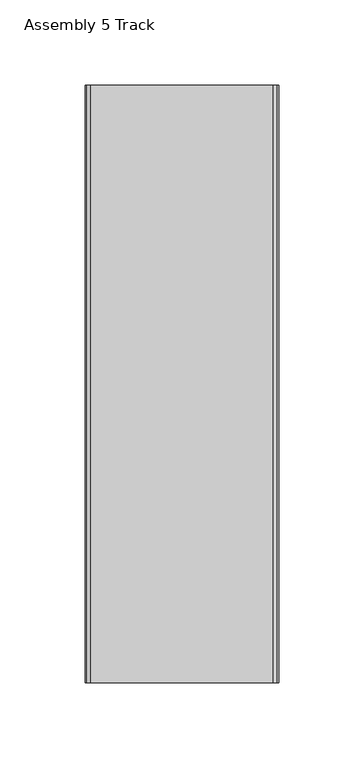
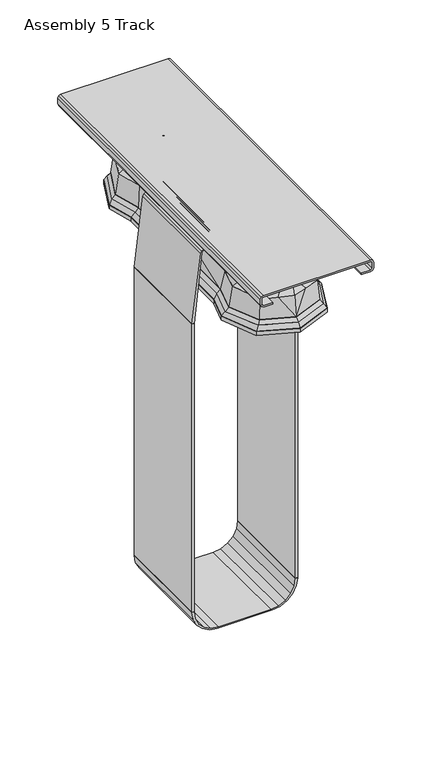
"""IFC4 building model written with IfcOpenShell, lengths in millimetres: furniture geometry, Assembly 5 Track."""

from ifc_helpers import new_model, si_unit, point, frame, frame_2d, origin, origin_2d, place, context, project, spatial, polyline, circle_curve, trimmed, segment, composite_curve, outline, extrude, faceted_brep, source, transform, mapped, element, save
from ifc_brep_helpers import plane_surface, spline_surface, advanced_brep


def assembly_5_track_c538d52d(model_context):
    return source(origin(), model_context, "Body", "SolidModel", [
        advanced_brep(
        [(-17.2873897, -117.3429758, 673.79186), (-4.8963072, -124.2971026, 673.79186), (4.8963072, -124.2971026, 673.79186), (17.2873897, -117.3429758, 673.79186), (24.3267209, -99.6999939, 673.79186), (30.2100866, -74.7228336, 673.79186), (30.2100866, 0.0, 673.79186), (30.2100866, 74.7228336, 673.79186), (24.3267209, 99.6999939, 673.79186), (17.2873897, 117.3429758, 673.79186), (4.8963072, 124.2971026, 673.79186), (-4.8963072, 124.2971026, 673.79186), (-17.2873897, 117.3429758, 673.79186), (-24.3267209, 99.6999939, 673.79186), (-30.2100866, 74.7228336, 673.79186), (-30.2100866, 0.0, 673.79186), (-30.2100866, -74.7228336, 673.79186), (-24.3267209, -99.6999939, 673.79186), (-28.5698871, -126.5841996, 665.1666921), (-39.8376291, -97.9798772, 665.1666921), (-33.3850866, -74.2980338, 665.1666921), (-33.3850866, 0.0, 665.1666921), (-33.3850866, 74.2980338, 665.1666921), (-39.8376291, 97.9798772, 665.1666921), (-28.5698871, 126.5841996, 665.1666921), (-13.8886918, 132.4223788, 665.1666921), (0.0, 136.9559961, 665.1666921), (13.8886918, 132.4223788, 665.1666921), (28.5698871, 126.5841996, 665.1666921), (39.8376291, 97.9798772, 665.1666921), (33.3850866, 74.2980338, 665.1666921), (33.3850866, 0.0, 665.1666921), (33.3850866, -74.2980338, 665.1666921), (39.8376291, -97.9798772, 665.1666921), (28.5698871, -126.5841996, 665.1666921), (13.8886918, -132.4223788, 665.1666921), (0.0, -136.9559961, 665.1666921), (-13.8886918, -132.4223788, 665.1666921)],
        [
            (0, 1),
            (1, 2),
            (2, 3),
            (3, 4),
            (4, 5),
            (5, 6),
            (6, 7),
            (7, 8),
            (8, 9),
            (9, 10),
            (10, 11),
            (11, 12),
            (12, 13),
            (13, 14),
            (14, 15),
            (15, 16),
            (16, 17),
            (17, 0),
            (18, 19),
            (19, 20),
            (20, 21),
            (21, 22),
            (22, 23),
            (23, 24),
            (24, 25),
            (25, 26),
            (26, 27),
            (27, 28),
            (28, 29),
            (29, 30),
            (30, 31),
            (31, 32),
            (32, 33),
            (33, 34),
            (34, 35),
            (35, 36),
            (36, 37),
            (37, 18),
            (26, 10),
            (10, 27),
            (35, 2),
            (2, 36),
            (37, 1),
            (0, 18),
            (34, 3),
            (33, 4),
            (32, 5),
            (31, 6),
            (30, 7),
            (29, 8),
            (28, 9),
            (25, 11),
            (24, 12),
            (23, 13),
            (22, 14),
            (21, 15),
            (20, 16),
            (19, 17),
        ],
        [
            plane_surface(frame((0.0, 0.0, 673.79186), z_axis=(0.0, 0.0, 1.0000000000000002), x_axis=(-0.8720519854537109, -0.489413255507287, 0.0))),
            plane_surface(frame((0.0, 0.0, 665.1666921), z_axis=(0.0, 0.0, -1.0000000000000002), x_axis=(-0.8720519854537109, -0.489413255507287, 0.0))),
            plane_surface(frame((6.9443459, 134.6891874, 665.1666921), z_axis=(0.1968054426730561, 0.6029115340874883, 0.7731528308158317), x_axis=(-0.9506350557654746, 0.3103111192815578, 0.0))),
            plane_surface(frame((6.9443459, -134.6891874, 665.1666921), z_axis=(0.19680544267305666, -0.6029115340874892, 0.7731528308158307), x_axis=(0.9506350557654744, 0.3103111192815582, 0.0))),
            spline_surface(1, 1, [[(-28.5698871, -126.5841996, 665.1666921), (-17.2873897, -117.3429758, 673.79186)], [(-13.8886918, -132.4223788, 665.1666921), (-4.8963072, -124.2971026, 673.79186)]], [2, 2], [2, 2], [0.0, 1.0], [0.0, 1.0]),
            spline_surface(1, 1, [[(-13.8886918, -132.4223788, 665.1666921), (-4.8963072, -124.2971026, 673.79186)], [(0.0, -136.9559961, 665.1666921), (4.8963072, -124.2971026, 673.79186)]], [2, 2], [2, 2], [0.0, 1.0], [0.0, 1.0]),
            spline_surface(1, 1, [[(13.8886918, -132.4223788, 665.1666921), (4.8963072, -124.2971026, 673.79186)], [(28.5698871, -126.5841996, 665.1666921), (17.2873897, -117.3429758, 673.79186)]], [2, 2], [2, 2], [0.0, 1.0], [0.0, 1.0]),
            spline_surface(1, 1, [[(28.5698871, -126.5841996, 665.1666921), (17.2873897, -117.3429758, 673.79186)], [(39.8376291, -97.9798772, 665.1666921), (24.3267209, -99.6999939, 673.79186)]], [2, 2], [2, 2], [0.0, 1.0], [0.0, 1.0]),
            spline_surface(1, 1, [[(39.8376291, -97.9798772, 665.1666921), (24.3267209, -99.6999939, 673.79186)], [(33.3850866, -74.2980338, 665.1666921), (30.2100866, -74.7228336, 673.79186)]], [2, 2], [2, 2], [0.0, 1.0], [0.0, 1.0]),
            plane_surface(frame((33.3850866, -37.1490169, 665.1666921), z_axis=(0.9384381447550495, 0.0, 0.3454473164879136), x_axis=(0.0, 1.0, 0.0))),
            plane_surface(frame((33.3850866, 37.1490169, 665.1666921), z_axis=(0.9384381447550495, 0.0, 0.3454473164879136), x_axis=(0.0, 1.0, 0.0))),
            spline_surface(1, 1, [[(33.3850866, 74.2980338, 665.1666921), (30.2100866, 74.7228336, 673.79186)], [(39.8376291, 97.9798772, 665.1666921), (24.3267209, 99.6999939, 673.79186)]], [2, 2], [2, 2], [0.0, 1.0], [0.0, 1.0]),
            spline_surface(1, 1, [[(39.8376291, 97.9798772, 665.1666921), (24.3267209, 99.6999939, 673.79186)], [(28.5698871, 126.5841996, 665.1666921), (17.2873897, 117.3429758, 673.79186)]], [2, 2], [2, 2], [0.0, 1.0], [0.0, 1.0]),
            spline_surface(1, 1, [[(28.5698871, 126.5841996, 665.1666921), (17.2873897, 117.3429758, 673.79186)], [(13.8886918, 132.4223788, 665.1666921), (4.8963072, 124.2971026, 673.79186)]], [2, 2], [2, 2], [0.0, 1.0], [0.0, 1.0]),
            spline_surface(1, 1, [[(0.0, 136.9559961, 665.1666921), (4.8963072, 124.2971026, 673.79186)], [(-13.8886918, 132.4223788, 665.1666921), (-4.8963072, 124.2971026, 673.79186)]], [2, 2], [2, 2], [0.0, 1.0], [0.0, 1.0]),
            spline_surface(1, 1, [[(-13.8886918, 132.4223788, 665.1666921), (-4.8963072, 124.2971026, 673.79186)], [(-28.5698871, 126.5841996, 665.1666921), (-17.2873897, 117.3429758, 673.79186)]], [2, 2], [2, 2], [0.0, 1.0], [0.0, 1.0]),
            spline_surface(1, 1, [[(-28.5698871, 126.5841996, 665.1666921), (-17.2873897, 117.3429758, 673.79186)], [(-39.8376291, 97.9798772, 665.1666921), (-24.3267209, 99.6999939, 673.79186)]], [2, 2], [2, 2], [0.0, 1.0], [0.0, 1.0]),
            spline_surface(1, 1, [[(-39.8376291, 97.9798772, 665.1666921), (-24.3267209, 99.6999939, 673.79186)], [(-33.3850866, 74.2980338, 665.1666921), (-30.2100866, 74.7228336, 673.79186)]], [2, 2], [2, 2], [0.0, 1.0], [0.0, 1.0]),
            plane_surface(frame((-33.3850866, 37.1490169, 665.1666921), z_axis=(-0.9384381447550475, 0.0, 0.34544731648791926), x_axis=(0.0, -1.0, 0.0))),
            plane_surface(frame((-33.3850866, -37.1490169, 665.1666921), z_axis=(-0.9384381447550475, 0.0, 0.34544731648791926), x_axis=(0.0, -1.0, 0.0))),
            spline_surface(1, 1, [[(-33.3850866, -74.2980338, 665.1666921), (-30.2100866, -74.7228336, 673.79186)], [(-39.8376291, -97.9798772, 665.1666921), (-24.3267209, -99.6999939, 673.79186)]], [2, 2], [2, 2], [0.0, 1.0], [0.0, 1.0]),
            spline_surface(1, 1, [[(-39.8376291, -97.9798772, 665.1666921), (-24.3267209, -99.6999939, 673.79186)], [(-28.5698871, -126.5841996, 665.1666921), (-17.2873897, -117.3429758, 673.79186)]], [2, 2], [2, 2], [0.0, 1.0], [0.0, 1.0]),
        ],
        [
            (0, [[1, 2, 3, 4, 5, 6, 7, 8, 9, 10, 11, 12, 13, 14, 15, 16, 17, 18]]),
            (1, [[19, 20, 21, 22, 23, 24, 25, 26, 27, 28, 29, 30, 31, 32, 33, 34, 35, 36, 37, 38]]),
            (2, [[-27, 39, 40]]),
            (3, [[-36, 41, 42]]),
            (4, [[-38, 43, -1, 44]]),
            (5, [[-37, -42, -2, -43]]),
            (6, [[-35, 45, -3, -41]]),
            (7, [[-34, 46, -4, -45]]),
            (8, [[-33, 47, -5, -46]]),
            (9, [[-32, 48, -6, -47]]),
            (10, [[-31, 49, -7, -48]]),
            (11, [[-30, 50, -8, -49]]),
            (12, [[-29, 51, -9, -50]]),
            (13, [[-28, -40, -10, -51]]),
            (14, [[-26, 52, -11, -39]]),
            (15, [[-25, 53, -12, -52]]),
            (16, [[-24, 54, -13, -53]]),
            (17, [[-23, 55, -14, -54]]),
            (18, [[-22, 56, -15, -55]]),
            (19, [[-21, 57, -16, -56]]),
            (20, [[-20, 58, -17, -57]]),
            (21, [[-19, -44, -18, -58]]),
        ],
    ),
        extrude(outline(polyline([(-17.0268792, 17.058371), (-0.0310427, 24.0982768), (16.9647937, 17.058371), (24.0046995, 0.0625346), (16.9647937, -16.9333019), (-0.0310427, -23.9732076), (-17.0268792, -16.9333019), (-24.0667849, 0.0625346), (-17.0268792, 17.058371)])), frame((0.0, 0.0, 682.3681135), z_axis=(0.0, 0.0, 1.0), x_axis=(1.0, 0.0, 0.0)), (0.0, 0.0, 1.0), 3.7426452),
        advanced_brep(
        [(-12.2215775, 92.9573778, 677.7433426), (-3.2362175, 98.000144, 677.7433426), (3.2362175, 98.000144, 677.7433426), (12.2215775, 92.9573778, 677.7433426), (18.2540278, 77.8379852, 677.7433426), (24.9849067, 49.262804, 677.7433426), (24.9849067, 0.0, 677.7433426), (24.9849067, -49.262804, 677.7433426), (18.2540278, -77.8379852, 677.7433426), (12.2215775, -92.9573778, 677.7433426), (3.2362175, -98.000144, 677.7433426), (-3.2362175, -98.000144, 677.7433426), (-12.2215775, -92.9573778, 677.7433426), (-18.2540278, -77.8379852, 677.7433426), (-25.1098867, -48.7322156, 677.7433426), (-25.1098867, 0.0, 677.7433426), (-25.1098867, 48.7322156, 677.7433426), (-18.2540278, 77.8379852, 677.7433426), (-17.0268792, 17.058371, 682.3681135), (-24.0667849, 0.0625346, 682.3681135), (-17.0268792, -16.9333019, 682.3681135), (-0.0310427, -23.9732076, 682.3681135), (16.9647937, -16.9333019, 682.3681135), (24.0046995, 0.0625346, 682.3681135), (16.9647937, 17.058371, 682.3681135), (-0.0310427, 24.0982768, 682.3681135)],
        [
            (0, 1),
            (1, 2),
            (2, 3),
            (3, 4),
            (4, 5),
            (5, 6),
            (6, 7),
            (7, 8),
            (8, 9),
            (9, 10),
            (10, 11),
            (11, 12),
            (12, 13),
            (13, 14),
            (14, 15),
            (15, 16),
            (16, 17),
            (17, 0),
            (18, 19),
            (19, 20),
            (20, 21),
            (21, 22),
            (22, 23),
            (23, 24),
            (24, 25),
            (25, 18),
            (6, 23),
            (23, 7),
            (23, 8),
            (22, 9),
            (21, 10),
            (21, 11),
            (20, 12),
            (19, 13),
            (19, 14),
            (19, 15),
            (25, 1),
            (0, 18),
            (25, 2),
            (24, 3),
            (23, 4),
            (23, 5),
            (19, 16),
            (19, 17),
        ],
        [
            plane_surface(frame((-0.02083, 0.0, 677.7433426), z_axis=(0.0, 0.0, -1.0), x_axis=(0.22927516532093634, -0.9733616483954242, 0.0))),
            plane_surface(frame((-0.0310427, 0.0625346, 682.3681135), z_axis=(0.0, 0.0, 1.0), x_axis=(0.22927516532093634, -0.9733616483954242, 0.0))),
            plane_surface(frame((24.0046995, 0.0625346, 682.3681135), z_axis=(0.9782686660565684, 0.0, 0.20734130560962102), x_axis=(0.0, -1.0, 0.0))),
            plane_surface(frame((24.0046995, 0.0625346, 682.3681135), z_axis=(0.34346769085419543, -0.08090375425497029, 0.9356733018990862), x_axis=(-0.2292751653209371, -0.973361648395424, 0.0))),
            spline_surface(1, 1, [[(24.0046995, 0.0625346, 682.3681135), (18.2540278, -77.8379852, 677.7433426)], [(16.9647937, -16.9333019, 682.3681135), (12.2215775, -92.9573778, 677.7433426)]], [2, 2], [2, 2], [0.0, 1.0], [0.0, 1.0]),
            spline_surface(1, 1, [[(16.9647937, -16.9333019, 682.3681135), (12.2215775, -92.9573778, 677.7433426)], [(-0.0310427, -23.9732076, 682.3681135), (3.2362175, -98.000144, 677.7433426)]], [2, 2], [2, 2], [0.0, 1.0], [0.0, 1.0]),
            plane_surface(frame((-0.0310427, -23.9732076, 682.3681135), z_axis=(0.0, -0.06235259879274009, 0.9980541836111864), x_axis=(-1.0, 0.0, 0.0))),
            spline_surface(1, 1, [[(-0.0310427, -23.9732076, 682.3681135), (-3.2362175, -98.000144, 677.7433426)], [(-17.0268792, -16.9333019, 682.3681135), (-12.2215775, -92.9573778, 677.7433426)]], [2, 2], [2, 2], [0.0, 1.0], [0.0, 1.0]),
            spline_surface(1, 1, [[(-17.0268792, -16.9333019, 682.3681135), (-12.2215775, -92.9573778, 677.7433426)], [(-24.0667849, 0.0625346, 682.3681135), (-18.2540278, -77.8379852, 677.7433426)]], [2, 2], [2, 2], [0.0, 1.0], [0.0, 1.0]),
            plane_surface(frame((-24.0667849, 0.0625346, 682.3681135), z_axis=(-0.3449554713380753, -0.08125420068663816, 0.935095437730664), x_axis=(-0.22927516532093634, 0.9733616483954242, 0.0))),
            plane_surface(frame((-24.0667849, 0.0625346, 682.3681135), z_axis=(-0.9754954124755775, 0.0, 0.22001977238217307), x_axis=(0.0, 1.0, 0.0))),
            spline_surface(1, 1, [[(-17.0268792, 17.058371, 682.3681135), (-12.2215775, 92.9573778, 677.7433426)], [(-0.0310427, 24.0982768, 682.3681135), (-3.2362175, 98.000144, 677.7433426)]], [2, 2], [2, 2], [0.0, 1.0], [0.0, 1.0]),
            plane_surface(frame((-0.0310427, 24.0982768, 682.3681135), z_axis=(0.0, 0.062457711032967066, 0.9980476112553561), x_axis=(1.0, 0.0, 0.0))),
            spline_surface(1, 1, [[(-0.0310427, 24.0982768, 682.3681135), (3.2362175, 98.000144, 677.7433426)], [(16.9647937, 17.058371, 682.3681135), (12.2215775, 92.9573778, 677.7433426)]], [2, 2], [2, 2], [0.0, 1.0], [0.0, 1.0]),
            spline_surface(1, 1, [[(16.9647937, 17.058371, 682.3681135), (12.2215775, 92.9573778, 677.7433426)], [(24.0046995, 0.0625346, 682.3681135), (18.2540278, 77.8379852, 677.7433426)]], [2, 2], [2, 2], [0.0, 1.0], [0.0, 1.0]),
            plane_surface(frame((24.0046995, 0.0625346, 682.3681135), z_axis=(0.3441721653532668, 0.08106969309949454, 0.935400034988666), x_axis=(0.2292751653209371, -0.973361648395424, 0.0))),
            plane_surface(frame((24.0046995, 0.0625346, 682.3681135), z_axis=(0.9782686660565685, 0.0, 0.20734130560962097), x_axis=(0.0, -1.0, 0.0))),
            plane_surface(frame((-24.0667849, 0.0625346, 682.3681135), z_axis=(-0.9754954124755774, 0.0, 0.22001977238217302), x_axis=(0.0, 1.0, 0.0))),
            plane_surface(frame((-24.0667849, 0.0625346, 682.3681135), z_axis=(-0.34566562725377203, 0.08142147778785067, 0.9348186011682154), x_axis=(0.22927516532093634, 0.9733616483954242, 0.0))),
            spline_surface(1, 1, [[(-24.0667849, 0.0625346, 682.3681135), (-18.2540278, 77.8379852, 677.7433426)], [(-17.0268792, 17.058371, 682.3681135), (-12.2215775, 92.9573778, 677.7433426)]], [2, 2], [2, 2], [0.0, 1.0], [0.0, 1.0]),
        ],
        [
            (0, [[1, 2, 3, 4, 5, 6, 7, 8, 9, 10, 11, 12, 13, 14, 15, 16, 17, 18]]),
            (1, [[19, 20, 21, 22, 23, 24, 25, 26]]),
            (2, [[-7, 27, 28]]),
            (3, [[-8, -28, 29]]),
            (4, [[-23, 30, -9, -29]]),
            (5, [[-22, 31, -10, -30]]),
            (6, [[-11, -31, 32]]),
            (7, [[-21, 33, -12, -32]]),
            (8, [[-20, 34, -13, -33]]),
            (9, [[-14, -34, 35]]),
            (10, [[-15, -35, 36]]),
            (11, [[-26, 37, -1, 38]]),
            (12, [[-2, -37, 39]]),
            (13, [[-25, 40, -3, -39]]),
            (14, [[-24, 41, -4, -40]]),
            (15, [[-5, -41, 42]]),
            (16, [[-6, -42, -27]]),
            (17, [[-16, -36, 43]]),
            (18, [[-17, -43, 44]]),
            (19, [[-19, -38, -18, -44]]),
        ],
    ),
        faceted_brep([(-24.3267209, 99.6999939, 673.79186), (-17.2873897, 117.3429758, 673.79186), (-4.8963072, 124.2971026, 673.79186), (4.8963072, 124.2971026, 673.79186), (17.2873897, 117.3429758, 673.79186), (24.3267209, 99.6999939, 673.79186), (30.2100866, 74.7228336, 673.79186), (30.2100866, 0.0, 673.79186), (30.2100866, -74.7228336, 673.79186), (24.3267209, -99.6999939, 673.79186), (17.2873897, -117.3429758, 673.79186), (4.8963072, -124.2971026, 673.79186), (-4.8963072, -124.2971026, 673.79186), (-17.2873897, -117.3429758, 673.79186), (-24.3267209, -99.6999939, 673.79186), (-30.2100866, -74.7228336, 673.79186), (-30.2100866, 0.0, 673.79186), (-30.2100866, 74.7228336, 673.79186), (-18.2540278, 77.8379852, 677.7433426), (-25.1098867, 48.7322156, 677.7433426), (-25.1098867, 0.0, 677.7433426), (-25.1098867, -48.7322156, 677.7433426), (-18.2540278, -77.8379852, 677.7433426), (-12.2215775, -92.9573778, 677.7433426), (-3.2362175, -98.000144, 677.7433426), (3.2362175, -98.000144, 677.7433426), (12.2215775, -92.9573778, 677.7433426), (18.2540278, -77.8379852, 677.7433426), (24.9849067, -49.262804, 677.7433426), (24.9849067, 0.0, 677.7433426), (24.9849067, 49.262804, 677.7433426), (18.2540278, 77.8379852, 677.7433426), (12.2215775, 92.9573778, 677.7433426), (3.2362175, 98.000144, 677.7433426), (-3.2362175, 98.000144, 677.7433426), (-12.2215775, 92.9573778, 677.7433426)], [[[0, 1, 2, 3, 4, 5, 6, 7, 8, 9, 10, 11, 12, 13, 14, 15, 16, 17]], [[18, 19, 20, 21, 22, 23, 24, 25, 26, 27, 28, 29, 30, 31, 32, 33, 34, 35]], [[18, 35, 1, 0]], [[35, 34, 2, 1]], [[34, 33, 3, 2]], [[33, 32, 4, 3]], [[32, 31, 5, 4]], [[31, 30, 6, 5]], [[30, 29, 7, 6]], [[29, 28, 8, 7]], [[28, 27, 9, 8]], [[27, 26, 10, 9]], [[26, 25, 11, 10]], [[25, 24, 12, 11]], [[24, 23, 13, 12]], [[23, 22, 14, 13]], [[22, 21, 15, 14]], [[21, 20, 16, 15]], [[20, 19, 17, 16]], [[19, 18, 0, 17]]]),
        faceted_brep([(-30.3022334, 128.1602075, 644.4336218), (-43.4431033, 98.1638447, 644.4336218), (-36.1041447, 71.2287153, 644.4336218), (-36.1041447, -71.2287153, 644.4336218), (-43.4220932, -98.0867346, 644.4336218), (-30.3022334, -128.0351384, 644.4336218), (-0.0310427, -140.3357292, 644.4336218), (30.2401479, -128.0351384, 644.4336218), (43.3982859, -97.999358, 644.4336218), (36.1041447, -71.2287153, 644.4336218), (36.1041447, 71.2287153, 644.4336218), (43.4192959, 98.0764681, 644.4336218), (30.2401479, 128.1602075, 644.4336218), (-0.0310427, 140.4607984, 644.4336218), (-32.6927164, 130.6159575, 641.0272621), (-0.0310427, 143.8879126, 641.0272621), (32.630631, 130.6159575, 641.0272621), (46.7773601, 98.3235426, 641.0272621), (39.2791447, 70.8039155, 641.0272621), (39.2791447, -70.8039155, 641.0272621), (46.7563501, -98.2464326, 641.0272621), (32.630631, -130.4908883, 641.0272621), (-0.0310427, -143.7628435, 641.0272621), (-32.6927164, -130.4908883, 641.0272621), (-46.7801574, -98.3338092, 641.0272621), (-39.2791447, -70.8039155, 641.0272621), (-39.2791447, 70.8039155, 641.0272621), (-46.8011675, 98.4109192, 641.0272621)], [[[0, 1, 2, 3, 4, 5, 6, 7, 8, 9, 10, 11, 12, 13]], [[14, 15, 16, 17, 18, 19, 20, 21, 22, 23, 24, 25, 26, 27]], [[14, 27, 1, 0]], [[27, 26, 2, 1]], [[26, 25, 3, 2]], [[25, 24, 4, 3]], [[24, 23, 5, 4]], [[23, 22, 6, 5]], [[22, 21, 7, 6]], [[21, 20, 8, 7]], [[20, 19, 9, 8]], [[19, 18, 10, 9]], [[18, 17, 11, 10]], [[17, 16, 12, 11]], [[16, 15, 13, 12]], [[15, 14, 0, 13]]]),
        advanced_brep(
        [(-28.5698871, 126.5841996, 665.1666921), (-39.8376291, 97.9798772, 665.1666921), (-33.3850866, 74.2980338, 665.1666921), (-33.3850866, 0.0, 665.1666921), (-33.3850866, -74.2980338, 665.1666921), (-39.8376291, -97.9798772, 665.1666921), (-28.5698871, -126.5841996, 665.1666921), (-13.8886918, -132.4223788, 665.1666921), (0.0, -136.9559961, 665.1666921), (13.8886918, -132.4223788, 665.1666921), (28.5698871, -126.5841996, 665.1666921), (39.8376291, -97.9798772, 665.1666921), (33.3850866, -74.2980338, 665.1666921), (33.3850866, 0.0, 665.1666921), (33.3850866, 74.2980338, 665.1666921), (39.8376291, 97.9798772, 665.1666921), (28.5698871, 126.5841996, 665.1666921), (13.8886918, 132.4223788, 665.1666921), (0.0, 136.9559961, 665.1666921), (-13.8886918, 132.4223788, 665.1666921), (-30.3022334, 128.1602075, 644.4336218), (-0.0310427, 140.4607984, 644.4336218), (30.2401479, 128.1602075, 644.4336218), (43.4192959, 98.0764681, 644.4336218), (36.1041447, 71.2287153, 644.4336218), (36.1041447, -71.2287153, 644.4336218), (43.3982859, -97.999358, 644.4336218), (30.2401479, -128.0351384, 644.4336218), (-0.0310427, -140.3357292, 644.4336218), (-30.3022334, -128.0351384, 644.4336218), (-43.4220932, -98.0867346, 644.4336218), (-36.1041447, -71.2287153, 644.4336218), (-36.1041447, 71.2287153, 644.4336218), (-43.4431033, 98.1638447, 644.4336218)],
        [
            (0, 1),
            (1, 2),
            (2, 3),
            (3, 4),
            (4, 5),
            (5, 6),
            (6, 7),
            (7, 8),
            (8, 9),
            (9, 10),
            (10, 11),
            (11, 12),
            (12, 13),
            (13, 14),
            (14, 15),
            (15, 16),
            (16, 17),
            (17, 18),
            (18, 19),
            (19, 0),
            (20, 21),
            (21, 22),
            (22, 23),
            (23, 24),
            (24, 25),
            (25, 26),
            (26, 27),
            (27, 28),
            (28, 29),
            (29, 30),
            (30, 31),
            (31, 32),
            (32, 33),
            (33, 20),
            (3, 31),
            (31, 4),
            (13, 24),
            (24, 14),
            (33, 1),
            (0, 20),
            (32, 2),
            (30, 5),
            (29, 6),
            (26, 11),
            (10, 27),
            (25, 12),
            (23, 15),
            (22, 16),
            (28, 7),
            (9, 28),
            (21, 17),
            (21, 18),
            (21, 19),
            (28, 8),
        ],
        [
            plane_surface(frame((0.0, 0.0, 665.1666921), z_axis=(0.0, 0.0, 1.0), x_axis=(-0.3665068524257836, -0.9304153519396297, 0.0))),
            plane_surface(frame((-0.0167051, 0.0378163, 644.4336218), z_axis=(0.0, 0.0, -1.0), x_axis=(-0.3665068524257836, -0.9304153519396297, 0.0))),
            plane_surface(frame((-36.1041447, -71.2287153, 644.4336218), z_axis=(-0.9915097347592599, 0.0, 0.1300324800871774), x_axis=(0.0, -1.0, 0.0))),
            plane_surface(frame((36.1041447, 71.2287153, 644.4336218), z_axis=(0.9915097347592594, 0.0, 0.1300324800871817), x_axis=(0.0, 1.0, 0.0))),
            spline_surface(1, 1, [[(-30.3022334, 128.1602075, 644.4336218), (-28.5698871, 126.5841996, 665.1666921)], [(-43.4431033, 98.1638447, 644.4336218), (-39.8376291, 97.9798772, 665.1666921)]], [2, 2], [2, 2], [0.0, 1.0], [0.0, 1.0]),
            plane_surface(frame((-39.773624, 84.69628, 644.4336218), z_axis=(-0.951886854828368, -0.2593586276510338, 0.16323148552877367), x_axis=(0.262884487639199, -0.964827314164911, 0.0))),
            plane_surface(frame((-36.1041447, 0.0, 644.4336218), z_axis=(-0.9915097347592614, 0.0, 0.1300324800871657), x_axis=(0.0, -1.0, 0.0))),
            plane_surface(frame((-39.763119, -84.657725, 644.4336218), z_axis=(-0.951886854828368, 0.2593586276510338, 0.1632314855287728), x_axis=(-0.262884487639199, -0.964827314164911, 0.0))),
            spline_surface(1, 1, [[(-43.4220932, -98.0867346, 644.4336218), (-39.8376291, -97.9798772, 665.1666921)], [(-30.3022334, -128.0351384, 644.4336218), (-28.5698871, -126.5841996, 665.1666921)]], [2, 2], [2, 2], [0.0, 1.0], [0.0, 1.0]),
            spline_surface(1, 1, [[(30.2401479, -128.0351384, 644.4336218), (28.5698871, -126.5841996, 665.1666921)], [(43.3982859, -97.999358, 644.4336218), (39.8376291, -97.9798772, 665.1666921)]], [2, 2], [2, 2], [0.0, 1.0], [0.0, 1.0]),
            plane_surface(frame((39.7512153, -84.6140367, 644.4336218), z_axis=(0.9518868548283672, 0.25935862765103357, 0.16323148552877748), x_axis=(-0.262884487639199, 0.964827314164911, 0.0))),
            plane_surface(frame((36.1041447, 0.0, 644.4336218), z_axis=(0.9915097347592607, 0.0, 0.13003248008717058), x_axis=(0.0, 1.0, 0.0))),
            plane_surface(frame((39.7617203, 84.6525917, 644.4336218), z_axis=(0.9518868548283673, -0.2593586276510336, 0.16323148552877745), x_axis=(0.262884487639199, 0.964827314164911, 0.0))),
            spline_surface(1, 1, [[(43.4192959, 98.0764681, 644.4336218), (39.8376291, 97.9798772, 665.1666921)], [(30.2401479, 128.1602075, 644.4336218), (28.5698871, 126.5841996, 665.1666921)]], [2, 2], [2, 2], [0.0, 1.0], [0.0, 1.0]),
            spline_surface(1, 1, [[(-30.3022334, -128.0351384, 644.4336218), (-28.5698871, -126.5841996, 665.1666921)], [(-0.0310427, -140.3357292, 644.4336218), (-13.8886918, -132.4223788, 665.1666921)]], [2, 2], [2, 2], [0.0, 1.0], [0.0, 1.0]),
            spline_surface(1, 1, [[(-0.0310427, -140.3357292, 644.4336218), (13.8886918, -132.4223788, 665.1666921)], [(30.2401479, -128.0351384, 644.4336218), (28.5698871, -126.5841996, 665.1666921)]], [2, 2], [2, 2], [0.0, 1.0], [0.0, 1.0]),
            spline_surface(1, 1, [[(30.2401479, 128.1602075, 644.4336218), (28.5698871, 126.5841996, 665.1666921)], [(-0.0310427, 140.4607984, 644.4336218), (13.8886918, 132.4223788, 665.1666921)]], [2, 2], [2, 2], [0.0, 1.0], [0.0, 1.0]),
            plane_surface(frame((-0.0310427, 140.4607984, 644.4336218), z_axis=(0.3064025860981888, 0.938661302877289, 0.1582163509661764), x_axis=(-0.9506350557654744, 0.31031111928155825, 0.0))),
            plane_surface(frame((-0.0310427, 140.4607984, 644.4336218), z_axis=(-0.30635798711332046, 0.938524674328135, 0.15911071431284243), x_axis=(-0.950635055765617, -0.31031111928112143, 0.0))),
            spline_surface(1, 1, [[(-0.0310427, 140.4607984, 644.4336218), (-13.8886918, 132.4223788, 665.1666921)], [(-30.3022334, 128.1602075, 644.4336218), (-28.5698871, 126.5841996, 665.1666921)]], [2, 2], [2, 2], [0.0, 1.0], [0.0, 1.0]),
            plane_surface(frame((-0.0310427, -140.3357292, 644.4336218), z_axis=(-0.30662940697012026, -0.9393561663845671, 0.15358515376312346), x_axis=(0.950635055765617, -0.31031111928112143, 0.0))),
            plane_surface(frame((-0.0310427, -140.3357292, 644.4336218), z_axis=(0.30667252852627974, -0.9394882688454302, 0.1526884178617181), x_axis=(0.9506350557654744, 0.31031111928155825, 0.0))),
        ],
        [
            (0, [[1, 2, 3, 4, 5, 6, 7, 8, 9, 10, 11, 12, 13, 14, 15, 16, 17, 18, 19, 20]]),
            (1, [[21, 22, 23, 24, 25, 26, 27, 28, 29, 30, 31, 32, 33, 34]]),
            (2, [[-4, 35, 36]]),
            (3, [[-14, 37, 38]]),
            (4, [[-34, 39, -1, 40]]),
            (5, [[-33, 41, -2, -39]]),
            (6, [[-32, -35, -3, -41]]),
            (7, [[-31, 42, -5, -36]]),
            (8, [[-30, 43, -6, -42]]),
            (9, [[-27, 44, -11, 45]]),
            (10, [[-26, 46, -12, -44]]),
            (11, [[-25, -37, -13, -46]]),
            (12, [[-24, 47, -15, -38]]),
            (13, [[-23, 48, -16, -47]]),
            (14, [[-29, 49, -7, -43]]),
            (15, [[-28, -45, -10, 50]]),
            (16, [[-22, 51, -17, -48]]),
            (17, [[-18, -51, 52]]),
            (18, [[-19, -52, 53]]),
            (19, [[-21, -40, -20, -53]]),
            (20, [[-8, -49, 54]]),
            (21, [[-9, -54, -50]]),
        ],
    ),
        extrude(outline(composite_curve([segment(trimmed(circle_curve(origin_2d(), 15.8750001), [point((15.8750001, 0.0))], [point((-15.8750001, 0.0))], False, "CARTESIAN"), True, "CONTINUOUS"), segment(trimmed(circle_curve(origin_2d(), 15.8750001), [point((-15.8750001, 0.0))], [point((15.8750001, 0.0))], False, "CARTESIAN"), True, "CONTINUOUS")], self_intersect=False)), frame((0.0, 0.0, 686.1107587), z_axis=(0.0, 0.0, 1.0), x_axis=(1.0, 0.0, 0.0)), (0.0, 0.0, 1.0), 5.0194418),
        extrude(outline(composite_curve([segment(trimmed(circle_curve(frame_2d((702.4555179, -42.8480782)), 3.0000007), [point((703.9555185, -40.2500015))], [point((705.0535946, -44.3480788))], False, "CARTESIAN"), True, "CONTINUOUS"), segment(polyline([(705.0535946, -44.3480788), (700.5535947, -52.1423051), (698.8215432, -51.1423044), (703.3215433, -43.3480763)]), True, "CONTINUOUS"), segment(trimmed(circle_curve(frame_2d((702.4555169, -42.8480756)), 1.0000012), [point((703.3215433, -43.3480763))], [point((702.9555174, -41.9820492))], True, "CARTESIAN"), True, "CONTINUOUS"), segment(polyline([(702.9555174, -41.9820492), (692.6301997, -36.0207256)]), True, "CONTINUOUS"), segment(trimmed(circle_curve(frame_2d((694.1301985, -33.4226509)), 2.9999981), [point((692.6301997, -36.0207256))], [point((691.1302004, -33.4226509))], False, "CARTESIAN"), True, "CONTINUOUS"), segment(polyline([(691.1302004, -33.4226509), (691.1302004, 33.4226527)]), True, "CONTINUOUS"), segment(trimmed(circle_curve(frame_2d((694.1301993, 33.4226527)), 2.9999989), [point((691.1302004, 33.4226527))], [point((692.6301997, 36.0207278))], False, "CARTESIAN"), True, "CONTINUOUS"), segment(polyline([(692.6301997, 36.0207278), (702.955519, 41.9820546)]), True, "CONTINUOUS"), segment(trimmed(circle_curve(frame_2d((702.4555203, 42.8480776)), 0.9999973), [point((702.955519, 41.9820546))], [point((703.3215433, 43.3480763))], True, "CARTESIAN"), True, "CONTINUOUS"), segment(polyline([(703.3215433, 43.3480763), (698.8215432, 51.1423044), (700.5535947, 52.1423051), (705.0535936, 44.3480805)]), True, "CONTINUOUS"), segment(trimmed(circle_curve(frame_2d((702.4555153, 42.8480789)), 3.0000026), [point((705.0535936, 44.3480805))], [point((703.9555168, 40.2500005))], False, "CARTESIAN"), True, "CONTINUOUS"), segment(polyline([(703.9555168, 40.2500005), (693.6302004, 34.2886754)]), True, "CONTINUOUS"), segment(trimmed(circle_curve(frame_2d((694.1302011, 33.4226489)), 1.0000013), [point((693.6302004, 34.2886754))], [point((693.1301998, 33.4226489))], True, "CARTESIAN"), True, "CONTINUOUS"), segment(polyline([(693.1301998, 33.4226489), (693.1301998, -33.4226494)]), True, "CONTINUOUS"), segment(trimmed(circle_curve(frame_2d((694.1302002, -33.4226494)), 1.0000004), [point((693.1301998, -33.4226494))], [point((693.6302, -34.2886751))], True, "CARTESIAN"), True, "CONTINUOUS"), segment(polyline([(693.6302, -34.2886751), (703.9555185, -40.2500015)]), True, "CONTINUOUS")], self_intersect=False)), frame((0.0, -50.038, 0.0), z_axis=(0.0, 1.0, 0.0), x_axis=(0.0, 0.0, 1.0)), (0.0, 0.0, 1.0), 100.2147529),
        extrude(outline(polyline([(296.1779691, -50.6309578), (296.1779691, -52.8228583), (288.3288842, -51.5796975), (281.2482118, -47.9718917), (275.6289327, -42.3526081), (272.021086, -35.2718925), (270.7779206, -27.4228598), (270.7779206, 27.3387231), (272.021086, 35.1877557), (275.6289327, 42.2684713), (281.2482118, 47.887755), (288.3288842, 51.4955607), (296.1779691, 52.7387216), (296.1779691, 50.546821), (288.5491469, 49.5232928), (281.6519662, 46.1128633), (276.2093478, 40.674051), (272.7941493, 33.7792184), (271.7685578, 26.174964), (271.7685578, -26.2591007), (272.7941493, -33.8633552), (276.2093478, -40.7581878), (281.6519662, -46.197), (288.5491469, -49.6074296), (296.1779691, -50.6309578)])), frame((0.0, -51.001477, 0.0), z_axis=(0.0, 1.0, 0.0), x_axis=(0.0, 0.0, 1.0)), (0.0, 0.0, 1.0), 100.0000008),
        extrude(outline(polyline([(-50.6305775, -51.001477), (-52.8228583, -51.001477), (-52.8228583, 48.9985238), (-50.6305775, 48.9985238), (-50.6305775, -51.001477)])), frame((0.0, 0.0, 296.1779691), z_axis=(0.0, 0.0, 1.0), x_axis=(1.0, 0.0, 0.0)), (0.0, 0.0, 1.0), 304.8),
        extrude(outline(polyline([(52.7387216, -51.001477), (50.5464408, -51.001477), (50.5464408, 48.9985238), (52.7387216, 48.9985238), (52.7387216, -51.001477)])), frame((0.0, 0.0, 296.1779691), z_axis=(0.0, 0.0, 1.0), x_axis=(1.0, 0.0, 0.0)), (0.0, 0.0, 1.0), 304.7972022),
        extrude(outline(polyline([(674.8600646, -38.5681143), (663.7778513, -18.9221989), (664.5119026, -18.1881476), (675.7310438, -38.0767971), (676.2077249, -40.6021108), (675.0495561, -42.8962567), (672.7346038, -44.0122542), (600.9779691, -52.8228583), (600.9779691, -50.6302803), (672.612734, -43.0197049), (674.3489471, -42.1827102), (675.2175759, -40.462103), (674.8600646, -38.5681143)])), frame((0.0, -51.001477, 0.0), z_axis=(0.0, 1.0, 0.0), x_axis=(0.0, 0.0, 1.0)), (0.0, 0.0, 1.0), 100.0000008),
        extrude(outline(polyline([(672.612734, 42.9355681), (600.9779691, 50.5461435), (600.9779691, 52.7387216), (672.7346038, 43.9281175), (675.0495561, 42.81212), (676.2077249, 40.5179741), (675.7310438, 37.9926604), (664.6488283, 18.3467449), (663.914777, 19.0807962), (674.8600646, 38.4839776), (675.2175759, 40.3779663), (674.3489471, 42.0985734), (672.612734, 42.9355681)])), frame((0.0, -51.001477, 0.0), z_axis=(0.0, 1.0, 0.0), x_axis=(0.0, 0.0, 1.0)), (0.0, 0.0, 1.0), 100.0000008),
        extrude(outline(polyline([(-0.0310427, 146.9590642), (35.2511265, 132.3447037), (49.8654801, 97.0625368), (43.0000007, 71.86515), (43.0000007, -71.7400809), (49.8654801, -96.9374676), (35.2511265, -132.2196345), (-0.0310427, -146.833995), (-35.3132119, -132.2196345), (-49.9275656, -96.9374676), (-43.0310434, -71.6261492), (-43.0310434, 71.7512184), (-49.9275656, 97.0625368), (-35.3132119, 132.3447037), (-0.0310427, 146.9590642)])), frame((0.0, 0.0, 632.1355058), z_axis=(0.0, 0.0, 1.0), x_axis=(1.0, 0.0, 0.0)), (0.0, 0.0, 1.0), 4.1033137),
        advanced_brep(
        [(-46.7801574, -98.3338092, 641.0272621), (-32.6927164, -130.4908883, 641.0272621), (-0.0310427, -143.7628435, 641.0272621), (32.630631, -130.4908883, 641.0272621), (46.7563501, -98.2464326, 641.0272621), (39.2791447, -70.8039155, 641.0272621), (39.2791447, 70.8039155, 641.0272621), (46.7773601, 98.3235426, 641.0272621), (32.630631, 130.6159575, 641.0272621), (-0.0310427, 143.8879126, 641.0272621), (-32.6927164, 130.6159575, 641.0272621), (-46.8011675, 98.4109192, 641.0272621), (-39.2791447, 70.8039155, 641.0272621), (-39.2791447, -70.8039155, 641.0272621), (-49.9275656, -96.9374676, 636.2388195), (-43.0310434, -71.6261492, 636.2388195), (-43.0310434, 71.7512184, 636.2388195), (-49.9275656, 97.0625368, 636.2388195), (-35.3132119, 132.3447037, 636.2388195), (-0.0310427, 146.9590642, 636.2388195), (35.2511265, 132.3447037, 636.2388195), (49.8654801, 97.0625368, 636.2388195), (42.968958, 71.7512184, 636.2388195), (42.968958, -71.6261492, 636.2388195), (49.8654801, -96.9374676, 636.2388195), (35.2511265, -132.2196345, 636.2388195), (-0.0310427, -146.833995, 636.2388195), (-35.3132119, -132.2196345, 636.2388195)],
        [
            (0, 1),
            (1, 2),
            (2, 3),
            (3, 4),
            (4, 5),
            (5, 6),
            (6, 7),
            (7, 8),
            (8, 9),
            (9, 10),
            (10, 11),
            (11, 12),
            (12, 13),
            (13, 0),
            (14, 15),
            (15, 16),
            (16, 17),
            (17, 18),
            (18, 19),
            (19, 20),
            (20, 21),
            (21, 22),
            (22, 23),
            (23, 24),
            (24, 25),
            (25, 26),
            (26, 27),
            (27, 14),
            (27, 1),
            (0, 14),
            (26, 2),
            (25, 3),
            (24, 4),
            (23, 5),
            (22, 6),
            (21, 7),
            (20, 8),
            (19, 9),
            (18, 10),
            (17, 11),
            (16, 12),
            (15, 13),
        ],
        [
            plane_surface(frame((-0.0167051, 0.0378163, 641.0272621), z_axis=(0.0, 0.0, 1.0), x_axis=(-0.4012663150716981, -0.915961431714666, 0.0))),
            plane_surface(frame((-0.0310427, 0.0625346, 636.2388195), z_axis=(0.0, 0.0, -1.0), x_axis=(-0.4012663150716981, -0.915961431714666, 0.0))),
            spline_surface(1, 1, [[(-49.9275656, -96.9374676, 636.2388195), (-46.7801574, -98.3338092, 641.0272621)], [(-35.3132119, -132.2196345, 636.2388195), (-32.6927164, -130.4908883, 641.0272621)]], [2, 2], [2, 2], [0.0, 1.0], [0.0, 1.0]),
            spline_surface(1, 1, [[(-35.3132119, -132.2196345, 636.2388195), (-32.6927164, -130.4908883, 641.0272621)], [(-0.0310427, -146.833995, 636.2388195), (-0.0310427, -143.7628435, 641.0272621)]], [2, 2], [2, 2], [0.0, 1.0], [0.0, 1.0]),
            spline_surface(1, 1, [[(-0.0310427, -146.833995, 636.2388195), (-0.0310427, -143.7628435, 641.0272621)], [(35.2511265, -132.2196345, 636.2388195), (32.630631, -130.4908883, 641.0272621)]], [2, 2], [2, 2], [0.0, 1.0], [0.0, 1.0]),
            spline_surface(1, 1, [[(35.2511265, -132.2196345, 636.2388195), (32.630631, -130.4908883, 641.0272621)], [(49.8654801, -96.9374676, 636.2388195), (46.7563501, -98.2464326, 641.0272621)]], [2, 2], [2, 2], [0.0, 1.0], [0.0, 1.0]),
            plane_surface(frame((46.4172191, -84.2818084, 636.2388195), z_axis=(0.7910400100239565, 0.21553302304386646, 0.5725392724685976), x_axis=(-0.2628844876392024, 0.9648273141649101, 0.0))),
            plane_surface(frame((42.968958, 0.0625346, 636.2388195), z_axis=(0.7921123970996553, 0.0, 0.6103752537259665), x_axis=(0.0, 1.0, 0.0))),
            plane_surface(frame((46.4172191, 84.4068776, 636.2388195), z_axis=(0.793589355005612, -0.2162276377583122, 0.5687367970258623), x_axis=(0.2628844876392024, 0.9648273141649101, 0.0))),
            spline_surface(1, 1, [[(49.8654801, 97.0625368, 636.2388195), (46.7773601, 98.3235426, 641.0272621)], [(35.2511265, 132.3447037, 636.2388195), (32.630631, 130.6159575, 641.0272621)]], [2, 2], [2, 2], [0.0, 1.0], [0.0, 1.0]),
            spline_surface(1, 1, [[(35.2511265, 132.3447037, 636.2388195), (32.630631, 130.6159575, 641.0272621)], [(-0.0310427, 146.9590642, 636.2388195), (-0.0310427, 143.8879126, 641.0272621)]], [2, 2], [2, 2], [0.0, 1.0], [0.0, 1.0]),
            spline_surface(1, 1, [[(-0.0310427, 146.9590642, 636.2388195), (-0.0310427, 143.8879126, 641.0272621)], [(-35.3132119, 132.3447037, 636.2388195), (-32.6927164, 130.6159575, 641.0272621)]], [2, 2], [2, 2], [0.0, 1.0], [0.0, 1.0]),
            spline_surface(1, 1, [[(-35.3132119, 132.3447037, 636.2388195), (-32.6927164, 130.6159575, 641.0272621)], [(-49.9275656, 97.0625368, 636.2388195), (-46.8011675, 98.4109192, 641.0272621)]], [2, 2], [2, 2], [0.0, 1.0], [0.0, 1.0]),
            plane_surface(frame((-46.4793045, 84.4068776, 636.2388195), z_axis=(-0.7889443806039702, -0.2149620312629885, 0.5756371160972058), x_axis=(0.2628844876392024, -0.9648273141649101, 0.0))),
            plane_surface(frame((-43.0310434, 0.0625346, 636.2388195), z_axis=(-0.7871520726608032, 0.0, 0.6167589598099096), x_axis=(0.0, -1.0, 0.0))),
            plane_surface(frame((-46.4793045, -84.2818084, 636.2388195), z_axis=(-0.7863945210950832, 0.21426727635638027, 0.5793731021323423), x_axis=(-0.2628844876392024, -0.9648273141649101, 0.0))),
        ],
        [
            (0, [[1, 2, 3, 4, 5, 6, 7, 8, 9, 10, 11, 12, 13, 14]]),
            (1, [[15, 16, 17, 18, 19, 20, 21, 22, 23, 24, 25, 26, 27, 28]]),
            (2, [[-28, 29, -1, 30]]),
            (3, [[-27, 31, -2, -29]]),
            (4, [[-26, 32, -3, -31]]),
            (5, [[-25, 33, -4, -32]]),
            (6, [[-24, 34, -5, -33]]),
            (7, [[-23, 35, -6, -34]]),
            (8, [[-22, 36, -7, -35]]),
            (9, [[-21, 37, -8, -36]]),
            (10, [[-20, 38, -9, -37]]),
            (11, [[-19, 39, -10, -38]]),
            (12, [[-18, 40, -11, -39]]),
            (13, [[-17, 41, -12, -40]]),
            (14, [[-16, 42, -13, -41]]),
            (15, [[-15, -30, -14, -42]]),
        ],
    ),
        extrude(outline(polyline([(697.0375683, -44.2896756), (697.0375683, -53.5896802), (698.6375683, -55.189678), (704.4375674, -55.189678), (705.56894, -54.7210474), (706.0375686, -53.5896802), (706.0375686, 53.5103186), (705.56894, 54.6416904), (704.4375674, 55.1103255), (698.6375683, 55.1103255), (697.0375683, 53.5103186), (697.0375683, 44.2103231), (695.4375683, 44.2103231), (695.4375683, 53.5103186), (695.8662871, 55.1103255), (697.0375683, 56.2816021), (698.6375683, 56.7103232), (704.4375674, 56.7103232), (706.7003107, 55.7730621), (707.6375677, 53.5103186), (707.6375677, -53.5896802), (706.7003107, -55.8524191), (704.4375674, -56.7896757), (698.6375683, -56.7896757), (696.3748271, -55.8524191), (695.4375683, -53.5896802), (695.4375683, -44.2896756), (697.0375683, -44.2896756)])), frame((0.0, -176.167319, 0.0), z_axis=(0.0, 1.0, 0.0), x_axis=(0.0, 0.0, 1.0)), (0.0, 0.0, 1.0), 350.4871705),
    ])


if __name__ == "__main__":
    model = new_model("IFC4")
    model_context = context("Model", 3, world=origin())
    ifc_project = project(units=[si_unit("LENGTHUNIT", "METRE", prefix="MILLI")], contexts=[model_context])
    site = spatial("IfcSite", under=ifc_project)
    building = spatial("IfcBuilding", under=site)
    placement = place(None, origin())
    assembly_5_track_shape = assembly_5_track_c538d52d(model_context)
    element("IfcFurniture", 1, ObjectType="Assembly 5 Track", at=placement, inside=building, context=model_context, shape_type="MappedRepresentation", body=[
        mapped(assembly_5_track_shape, transform((0.0, 0.0, 0.0), x_axis=(1.0, 0.0, 0.0), y_axis=(0.0, 1.0, 0.0), z_axis=(0.0, 0.0, 1.0))),
    ])
    save(model, "model.ifc")
